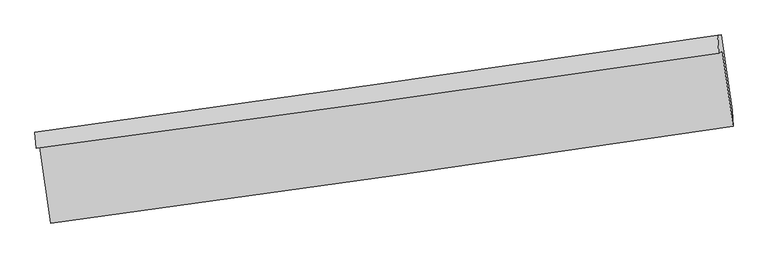
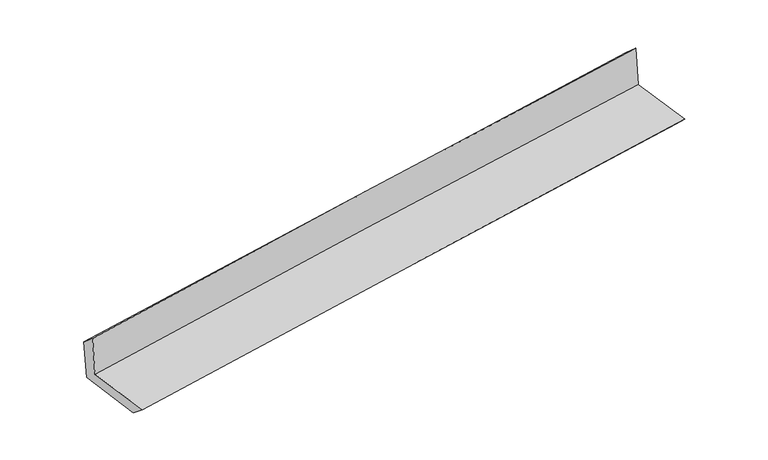
"""IFC4 building model written with IfcOpenShell, lengths in millimetres: proxy geometry."""

from ifc_helpers import new_model, si_unit, frame, origin, place, context, project, spatial, source, transform, mapped, element, save
from ifc_brep_helpers import plane_surface, spline_curve, spline_surface, advanced_brep


def generic_models_c62f6e2a(model_context):
    return source(origin(), model_context, "Body", "AdvancedBrep", [
        advanced_brep(
        [(-2993.8502875, -1910.9661612, 1637.6934226), (-2898.9962318, -2574.2642498, 1631.3198782), (3036.1940481, -1734.6874076, 2134.2468095), (2942.8420039, -1081.2788838, 2140.6071522), (-3024.9520071, -1925.4578764, 2040.9042526), (2911.3733338, -1095.941578, 2548.5752243), (-3035.1467469, -1786.3609279, 1924.3434451), (2901.2668778, -943.1216979, 2407.472211), (-3003.5538414, -1781.6043026, 1531.9935668), (2932.8623174, -938.36468, 2015.0744146), (-2909.4641569, -2433.8534595, 1515.8088377), (3027.282452, -1593.5576636, 1998.8093714)],
        [
            (0, 1),
            (1, 2, spline_curve(3, [(-2898.9962318, -2574.2642498, 1631.3198782), (-1907.078204826, -2441.36993301, 1725.880768977), (-915.378102149, -2304.787938639, 1815.156415771), (1063.016653775, -2024.895077334, 1982.750120608), (2049.713311138, -1881.618124555, 2061.116784316), (3036.1940481, -1734.6874076, 2134.2468095)], [4, 2, 4], [0.0, 9.890863788337114, 19.736141991918174])),
            (2, 3),
            (3, 0, spline_curve(3, [(2942.8420039, -1081.2788838, 2140.6071522), (1955.251421196, -1226.84531069, 2074.078079207), (967.87396911, -1368.618215236, 1999.020610064), (-1011.025439306, -1645.215851987, 1831.46185925), (-2002.545417921, -1780.005373105, 1738.881418615), (-2993.8502875, -1910.9661612, 1637.6934226)], [4, 2, 4], [0.0, 9.84527820358106, 19.736141991918174])),
            (4, 0),
            (3, 5),
            (5, 4, spline_curve(3, [(2911.3733338, -1095.941578, 2548.5752243), (1924.142752889, -1241.340263405, 2477.378993398), (936.976155709, -1383.01492124, 2399.587947429), (-1041.799551786, -1659.554919853, 2230.425501949), (-2033.40806814, -1794.385694758, 2138.992890764), (-3024.9520071, -1925.4578764, 2040.9042526)], [4, 2, 4], [0.0, 9.845431028116305, 19.73644834859648])),
            (6, 4),
            (5, 7),
            (7, 6, spline_curve(3, [(2901.2668778, -943.1216979, 2407.472211), (1914.154709885, -1084.91619019, 2327.575350435), (927.04013272, -1225.922889764, 2247.45968818), (-1051.764386345, -1507.009945501, 2086.418797171), (-2043.454351023, -1647.08298907, 2005.491537239), (-3035.1467469, -1786.3609279, 1924.3434451)], [4, 2, 4], [0.0, 9.84512580168397, 19.735836482473076])),
            (8, 6),
            (7, 9),
            (9, 8, spline_curve(3, [(2932.8623174, -938.36468, 2015.0744146), (1945.468842836, -1080.201566749, 1938.73479062), (958.213077262, -1221.229545248, 1860.405829645), (-1020.593587443, -1502.316927571, 1699.397345157), (-2012.143207996, -1642.368823296, 1616.699356723), (-3003.5538414, -1781.6043026, 1531.9935668)], [4, 2, 4], [0.0, 9.84505724015242, 19.735699041956526])),
            (10, 8),
            (9, 11),
            (11, 10, spline_curve(3, [(3027.282452, -1593.5576636, 1998.8093714), (2039.072675389, -1727.219558557, 1922.700597547), (1051.380405641, -1863.906413229, 1844.493990092), (-927.539933782, -2143.976934494, 1683.513284071), (-1918.763200487, -2287.388678852, 1600.7197134), (-2909.4641569, -2433.8534595, 1515.8088377)], [4, 2, 4], [0.0, 9.845003420926734, 19.7355911543115])),
            (1, 10),
            (11, 2),
        ],
        [
            spline_surface(3, 3, [[(-2993.8502875, -1910.9661612, 1637.6934226), (-2002.545417942, -1780.005373072, 1738.881418728), (-1011.025439454, -1645.215851932, 1831.46185931), (967.873969258, -1368.61821529, 1999.020610004), (1955.251421233, -1226.845310626, 2074.078079309), (2942.8420039, -1081.2788838, 2140.6071522)], [(-2962.232268923, -2132.065524082, 1635.568907802), (-1970.723013522, -2000.460226377, 1734.54786885), (-979.142993658, -1865.073214153, 1826.026711465), (999.588197418, -1587.377169377, 1993.597113537), (1986.73871784, -1445.102915258, 2069.75764767), (2973.959351948, -1299.081725067, 2138.487037984)], [(-2930.614250377, -2353.164886918, 1633.444392998), (-1938.900609135, -2220.915079636, 1730.214318968), (-947.260547885, -2084.930576288, 1820.591563621), (1031.302425554, -1806.136123378, 1988.17361707), (2018.226014502, -1663.36051989, 2065.43721598), (3005.076700052, -1516.884566333, 2136.366923716)], [(-2898.9962318, -2574.2642498, 1631.3198782), (-1907.078204715, -2441.369932941, 1725.880769091), (-915.378102088, -2304.787938508, 1815.156415776), (1063.016653714, -2024.895077464, 1982.750120603), (2049.713311109, -1881.618124522, 2061.116784341), (3036.1940481, -1734.6874076, 2134.2468095)]], [4, 4], [4, 2, 4], [0.0, 2.1817964202866333], [0.0, 9.890863788337114, 19.736141991918174]),
            spline_surface(3, 3, [[(-3024.9520071, -1925.4578764, 2040.9042526), (-2033.40806817, -1794.385694906, 2138.992890843), (-1041.7995518, -1659.554919843, 2230.425502048), (936.976155722, -1383.01492125, 2399.58794733), (1924.142752978, -1241.340263483, 2477.378993302), (2911.3733338, -1095.941578, 2548.5752243)], [(-3014.584767219, -1920.627304666, 1906.500642625), (-2023.12051808, -1789.592254294, 2005.622400163), (-1031.541514362, -1654.775230528, 2097.437621123), (947.27542689, -1378.216019251, 2266.065501542), (1934.512309075, -1236.508612518, 2342.945355292), (2921.862890512, -1091.054013254, 2412.585866921)], [(-3004.217527381, -1915.796732934, 1772.097032575), (-2012.832968032, -1784.798813684, 1872.251909407), (-1021.283476892, -1649.995541248, 1964.449740236), (957.57469809, -1373.417117289, 2132.543055792), (1944.881865136, -1231.676961591, 2208.51171732), (2932.352447188, -1086.166448546, 2276.596509579)], [(-2993.8502875, -1910.9661612, 1637.6934226), (-2002.545417942, -1780.005373072, 1738.881418728), (-1011.025439454, -1645.215851932, 1831.46185931), (967.873969258, -1368.61821529, 1999.020610004), (1955.251421233, -1226.845310626, 2074.078079309), (2942.8420039, -1081.2788838, 2140.6071522)]], [4, 4], [4, 2, 4], [0.0, 1.3162948074446865], [0.0, 9.891017320480174, 19.73644834859648]),
            spline_surface(3, 3, [[(-3035.1467469, -1786.3609279, 1924.3434451), (-2043.454350931, -1647.082989033, 2005.491537252), (-1051.764386416, -1507.009945373, 2086.418797129), (927.040132791, -1225.922889892, 2247.459688222), (1914.15470984, -1084.916190194, 2327.575350304), (2901.2668778, -943.1216979, 2407.472211)], [(-3031.74850031, -1832.726577404, 1963.1970476), (-2040.10559002, -1696.183890994, 2049.991988449), (-1048.442774865, -1557.858270185, 2134.421032087), (930.352140447, -1278.286900333, 2298.16910791), (1917.484057546, -1137.057547963, 2377.509897993), (2904.635696459, -994.06165794, 2454.50654879)], [(-3028.35025369, -1879.092226896, 2002.0506501), (-2036.756829081, -1745.284792944, 2094.492439646), (-1045.121163351, -1608.706595031, 2182.42326709), (933.664148066, -1330.650910808, 2348.878527642), (1920.813405273, -1189.198905714, 2427.444445613), (2908.004515141, -1045.00161796, 2501.54088651)], [(-3024.9520071, -1925.4578764, 2040.9042526), (-2033.40806817, -1794.385694906, 2138.992890843), (-1041.7995518, -1659.554919843, 2230.425502048), (936.976155722, -1383.01492125, 2399.58794733), (1924.142752978, -1241.340263483, 2477.378993302), (2911.3733338, -1095.941578, 2548.5752243)]], [4, 4], [4, 2, 4], [0.0, 0.7035310306442504], [0.0, 9.890710680789105, 19.735836482473076]),
            spline_surface(3, 3, [[(-3003.5538414, -1781.6043026, 1531.9935668), (-2012.143208018, -1642.368823308, 1616.699356663), (-1020.593587318, -1502.316927582, 1699.397345113), (958.213077137, -1221.229545238, 1860.405829688), (1945.468842714, -1080.201566746, 1938.734790502), (2932.8623174, -938.36468, 2015.0744146)], [(-3014.084809896, -1783.189844371, 1662.77685956), (-2022.580255652, -1643.940211886, 1746.296750186), (-1030.983853704, -1503.881266866, 1828.404495798), (947.822095668, -1222.793993476, 1989.423782546), (1935.030798433, -1081.773107901, 2068.348310431), (2922.33050421, -939.95035264, 2145.873680062)], [(-3024.615778404, -1784.775386129, 1793.56015234), (-2033.017303297, -1645.511600454, 1875.894143729), (-1041.37412003, -1505.445606089, 1957.411646444), (937.43111426, -1224.358441653, 2118.441735364), (1924.592754121, -1083.344649038, 2197.961830374), (2911.79869099, -941.53602526, 2276.672945538)], [(-3035.1467469, -1786.3609279, 1924.3434451), (-2043.454350931, -1647.082989033, 2005.491537252), (-1051.764386416, -1507.009945373, 2086.418797129), (927.040132791, -1225.922889892, 2247.459688222), (1914.15470984, -1084.916190194, 2327.575350304), (2901.2668778, -943.1216979, 2407.472211)]], [4, 4], [4, 2, 4], [0.0, 1.2740132121031746], [0.0, 9.890641801804106, 19.735699041956526]),
            spline_surface(3, 3, [[(-2909.4641569, -2433.8534595, 1515.8088377), (-1918.763200566, -2287.388678698, 1600.719713329), (-927.539933929, -2143.976934601, 1683.513284007), (1051.380405787, -1863.906413123, 1844.493990156), (2039.072675445, -1727.219558622, 1922.7005974), (3027.282452, -1593.5576636, 1998.8093714)], [(-2940.827385056, -2216.437073857, 1521.203747386), (-1949.889869707, -2072.382060225, 1606.046261093), (-958.55781838, -1930.090265583, 1688.807971025), (1020.324629582, -1649.680790483, 1849.79793665), (2007.871397871, -1511.546894681, 1928.045328433), (2995.809073802, -1375.160002417, 2004.231052465)], [(-2972.190613244, -1999.020688243, 1526.598657114), (-1981.016538878, -1857.375441781, 1611.372808899), (-989.575702867, -1716.2035966, 1694.102658095), (989.268853342, -1435.455167878, 1855.101883195), (1976.670120289, -1295.874230687, 1933.39005947), (2964.335695598, -1156.762341183, 2009.652733535)], [(-3003.5538414, -1781.6043026, 1531.9935668), (-2012.143208018, -1642.368823308, 1616.699356663), (-1020.593587318, -1502.316927582, 1699.397345113), (958.213077137, -1221.229545238, 1860.405829688), (1945.468842714, -1080.201566746, 1938.734790502), (2932.8623174, -938.36468, 2015.0744146)]], [4, 4], [4, 2, 4], [0.0, 2.129514358873378], [0.0, 9.890587733384766, 19.7355911543115]),
            spline_surface(3, 3, [[(-2898.9962318, -2574.2642498, 1631.3198782), (-1907.078204715, -2441.369932941, 1725.880769091), (-915.378102088, -2304.787938508, 1815.156415776), (1063.016653714, -2024.895077464, 1982.750120603), (2049.713311109, -1881.618124522, 2061.116784341), (3036.1940481, -1734.6874076, 2134.2468095)], [(-2902.485540196, -2527.460653021, 1592.816198027), (-1910.973203361, -2390.042848181, 1684.160417165), (-919.432046036, -2251.184270526, 1771.275371885), (1059.137904404, -1971.232189337, 1936.664743819), (2046.166432555, -1830.151935872, 2014.978055339), (3033.223516067, -1687.644159583, 2089.100996778)], [(-2905.974848504, -2480.657056279, 1554.312517873), (-1914.86820192, -2338.715763458, 1642.440065256), (-923.485989981, -2197.580602584, 1727.394327898), (1055.259155097, -1917.56930125, 1890.57936694), (2042.619553999, -1778.685747273, 1968.839326402), (3030.252984033, -1640.600911617, 2043.955184122)], [(-2909.4641569, -2433.8534595, 1515.8088377), (-1918.763200566, -2287.388678698, 1600.719713329), (-927.539933929, -2143.976934601, 1683.513284007), (1051.380405787, -1863.906413123, 1844.493990156), (2039.072675445, -1727.219558622, 1922.7005974), (3027.282452, -1593.5576636, 1998.8093714)]], [4, 4], [4, 2, 4], [0.0, 0.6900494141131089], [0.0, 9.890543074402794, 19.735502042174453]),
            plane_surface(frame((2958.6368388, -1231.1586518, 2207.4641972), z_axis=(0.9867927535023868, 0.1401924579323854, 0.08115501447263716), x_axis=(-0.08025329110592744, -0.012082957194104661, 0.9967012648793583))),
            plane_surface(frame((-2977.6605453, -2068.7511629, 1713.6772338), z_axis=(-0.9867725974050634, -0.14033225384066053, -0.08115848410650073), x_axis=(-0.1415570936668923, 0.9898843959662658, 0.009511669416240306))),
        ],
        [
            (0, [[1, 2, 3, 4]]),
            (1, [[5, -4, 6, 7]]),
            (2, [[8, -7, 9, 10]]),
            (3, [[11, -10, 12, 13]]),
            (4, [[14, -13, 15, 16]]),
            (5, [[17, -16, 18, -2]]),
            (6, [[-12, -9, -6, -3, -18, -15]]),
            (7, [[-1, -5, -8, -11, -14, -17]]),
        ],
    ),
    ])


if __name__ == "__main__":
    model = new_model("IFC4")
    model_context = context("Model", 3, world=origin())
    ifc_project = project(units=[si_unit("LENGTHUNIT", "METRE", prefix="MILLI")], contexts=[model_context])
    site = spatial("IfcSite", under=ifc_project)
    building = spatial("IfcBuilding", under=site)
    placement = place(None, origin())
    generic_models_shape = generic_models_c62f6e2a(model_context)
    element("IfcBuildingElementProxy", 1, Name="Generic Models", at=placement, inside=building, context=model_context, shape_type="MappedRepresentation", body=[
        mapped(generic_models_shape, transform((0.0, 0.0, 0.0), x_axis=(1.0, 0.0, 0.0), y_axis=(0.0, 1.0, 0.0), z_axis=(0.0, 0.0, 1.0))),
    ])
    save(model, "model.ifc")
